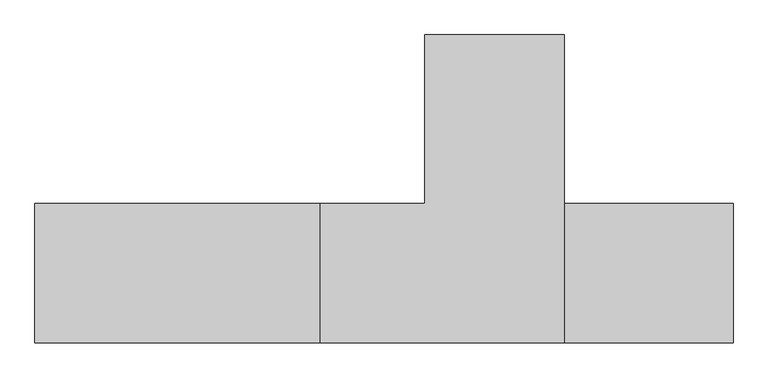
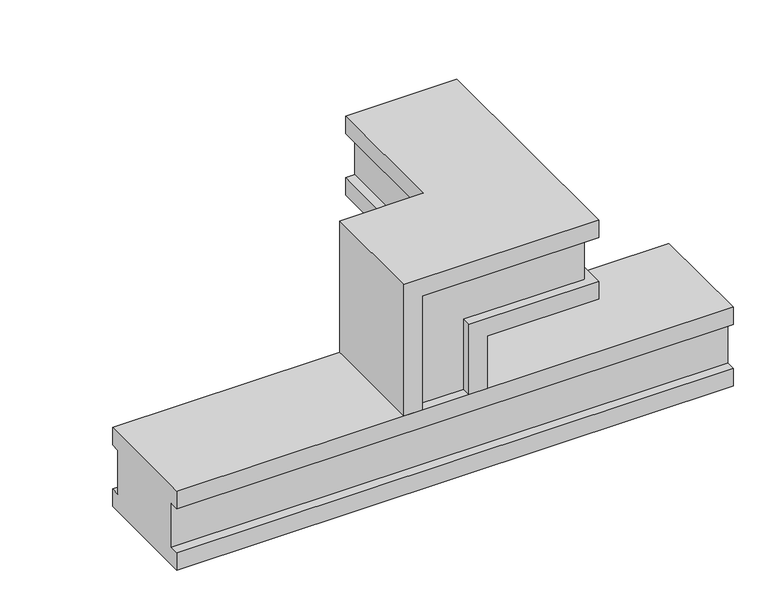
"""IFC4 building model written with IfcOpenShell, lengths in millimetres: proxy geometry."""

import ifcopenshell
import ifcopenshell.guid

model = None  # the IFC model being written
_history = None  # IfcOwnerHistory: only IFC2X3 demands one
_inside = {}  # id of a spatial element -> (the spatial element, [elements in it])
_under = {}  # id of a project, library or spatial element -> (it, [spatial elements below it])
_declared = {}  # id of a project -> (the project, [libraries it declares])
_typed = {}  # id of a type object -> (the type object, [elements of that type])
_made_of = {}  # id of a material, layer set ... -> (it, [elements and type objects made of it])


def new_model(schema):
    """Start an empty IFC model of exactly this schema.

    Asked for "IFC4X3", IfcOpenShell would pick the latest addendum, in which some entities
    have other attributes; the version numbers below select the first issue.
    IFC2X3 requires an IfcOwnerHistory on every rooted entity: one is made here for all.
    """
    global model, _history
    if schema == "IFC4X3":
        model = ifcopenshell.file(schema_version=(4, 3, 0, 0))
    else:
        model = ifcopenshell.file(schema=schema)
    _inside.clear()
    _under.clear()
    _declared.clear()
    _typed.clear()
    _made_of.clear()
    _history = None
    if model.schema == "IFC2X3":
        org = make("IfcOrganization", Name="unknown")
        user = make(
            "IfcPersonAndOrganization",
            ThePerson=make("IfcPerson", FamilyName="unknown"),
            TheOrganization=org,
        )
        app = make(
            "IfcApplication",
            ApplicationDeveloper=org,
            Version="unknown",
            ApplicationFullName="unknown",
            ApplicationIdentifier="unknown",
        )
        _history = make(
            "IfcOwnerHistory",
            OwningUser=user,
            OwningApplication=app,
            ChangeAction="ADDED",
            CreationDate=0,
        )
    return model


def make(cls, **values):
    """One entity of the class cls with the attributes given. An attribute that is None is left unset."""
    return model.create_entity(
        cls, **{name: value for name, value in values.items() if value is not None}
    )


def rooted(cls, **values):
    """An entity with a GlobalId (a new one), such as an element, a storey or a relation."""
    return make(cls, GlobalId=ifcopenshell.guid.new(), OwnerHistory=_history, **values)


def si_unit(unit_type, name, prefix=None):
    """IfcSIUnit, for example si_unit("LENGTHUNIT", "METRE", prefix="MILLI")."""
    return make("IfcSIUnit", UnitType=unit_type, Prefix=prefix, Name=name)


def assignment(units):
    """IfcUnitAssignment: the units of a project."""
    return None if units is None else make("IfcUnitAssignment", Units=units)


def point(xyz):
    """IfcCartesianPoint."""
    return None if xyz is None else make("IfcCartesianPoint", Coordinates=xyz)


def direction(xyz):
    """IfcDirection."""
    return None if xyz is None else make("IfcDirection", DirectionRatios=xyz)


def frame(location, z_axis=None, x_axis=None):
    """IfcAxis2Placement3D, a coordinate frame: its origin and axes. An axis left out is left unset."""
    return make(
        "IfcAxis2Placement3D",
        Location=point(location),
        Axis=direction(z_axis),
        RefDirection=direction(x_axis),
    )


def origin():
    """The frame at (0, 0, 0) with its axes left unset."""
    return frame((0.0, 0.0, 0.0))


def place(relative_to, where):
    """IfcLocalPlacement: puts the frame where relative to a parent placement (None: the world)."""
    return make(
        "IfcLocalPlacement", PlacementRelTo=relative_to, RelativePlacement=where
    )


def context(
    kind, dimensions, precision=None, world=None, true_north=None, identifier=None
):
    """IfcGeometricRepresentationContext, for example the 3D "Model" context."""
    return make(
        "IfcGeometricRepresentationContext",
        ContextIdentifier=identifier,
        ContextType=kind,
        CoordinateSpaceDimension=dimensions,
        Precision=precision,
        WorldCoordinateSystem=world,
        TrueNorth=true_north,
    )


def project(units=None, contexts=None):
    """IfcProject with its units and contexts."""
    return rooted(
        "IfcProject",
        Name="project",
        RepresentationContexts=contexts,
        UnitsInContext=assignment(units),
    )


def spatial(cls, under=None, at=None, **own):
    """A site, building, storey or space (cls), placed at a placement, below another one or the project."""
    s = rooted(cls, ObjectPlacement=at, **own)
    if under is not None:
        _under.setdefault(under.id(), (under, []))[1].append(s)
    return s


def polyline(points):
    """IfcPolyline through the points."""
    return make("IfcPolyline", Points=[point(p) for p in points])


def outline(outer, holes=None, kind="AREA"):
    """IfcArbitraryClosedProfileDef: a profile drawn as a closed curve; with holes, ...WithVoids."""
    if holes is None:
        return make("IfcArbitraryClosedProfileDef", ProfileType=kind, OuterCurve=outer)
    return make(
        "IfcArbitraryProfileDefWithVoids",
        ProfileType=kind,
        OuterCurve=outer,
        InnerCurves=holes,
    )


def extrude(swept, where, along, depth):
    """IfcExtrudedAreaSolid: the profile swept, set in the frame where, extruded along a direction by depth."""
    return make(
        "IfcExtrudedAreaSolid",
        SweptArea=swept,
        Position=where,
        ExtrudedDirection=direction(along),
        Depth=depth,
    )


def faces_of(points, faces, orient=None, outer=None):
    """IfcFace entities. A face is a list of loops; a loop is a list of indices into points, from 0.

    orient and outer hold one flag for each loop. By default every Orientation is true, the
    first loop of a face is its IfcFaceOuterBound and the others are IfcFaceBound.
    """
    made = []
    for i, loops in enumerate(faces):
        bounds = []
        for j, loop in enumerate(loops):
            is_outer = j == 0 if outer is None else outer[i][j]
            bounds.append(
                make(
                    "IfcFaceOuterBound" if is_outer else "IfcFaceBound",
                    Bound=make("IfcPolyLoop", Polygon=[points[k] for k in loop]),
                    Orientation=True if orient is None else orient[i][j],
                )
            )
        made.append(make("IfcFace", Bounds=bounds))
    return made


def faceted_brep(points, faces, orient=None, outer=None, voids=None):
    """IfcFacetedBrep: a solid bounded by flat faces; with voids (closed shells), ...WithVoids."""
    shared = [point(p) for p in points]
    hull = make("IfcClosedShell", CfsFaces=faces_of(shared, faces, orient, outer))
    if voids is None:
        return make("IfcFacetedBrep", Outer=hull)
    return make(
        "IfcFacetedBrepWithVoids",
        Outer=hull,
        Voids=[
            make(cls, CfsFaces=faces_of(shared, fs, o, b)) for cls, fs, o, b in voids
        ],
    )


def shape(context_of_items, identifier, shape_type, items):
    """IfcShapeRepresentation: the items that make up one representation, for example the "Body"."""
    return make(
        "IfcShapeRepresentation",
        ContextOfItems=context_of_items,
        RepresentationIdentifier=identifier,
        RepresentationType=shape_type,
        Items=items,
    )


def source(mapping_origin, context_of_items, identifier, shape_type, items):
    """IfcRepresentationMap: a shape defined once, which mapped items show again and again."""
    return make(
        "IfcRepresentationMap",
        MappingOrigin=mapping_origin,
        MappedRepresentation=shape(context_of_items, identifier, shape_type, items),
    )


def transform(
    local_origin,
    x_axis=None,
    y_axis=None,
    z_axis=None,
    scale=None,
    scale2=None,
    scale3=None,
    uniform=True,
):
    """IfcCartesianTransformationOperator3D, or its non-uniform kind. x_axis, y_axis, z_axis: its Axis1, 2, 3."""
    if uniform:
        return make(
            "IfcCartesianTransformationOperator3D",
            Axis1=direction(x_axis),
            Axis2=direction(y_axis),
            LocalOrigin=point(local_origin),
            Scale=scale,
            Axis3=direction(z_axis),
        )
    return make(
        "IfcCartesianTransformationOperator3DnonUniform",
        Axis1=direction(x_axis),
        Axis2=direction(y_axis),
        LocalOrigin=point(local_origin),
        Scale=scale,
        Axis3=direction(z_axis),
        Scale2=scale2,
        Scale3=scale3,
    )


def mapped(mapping_source, mapping_target):
    """IfcMappedItem: shows the shape of a source again, moved by a transform."""
    return make(
        "IfcMappedItem", MappingSource=mapping_source, MappingTarget=mapping_target
    )


def made_of(thing, what):
    """Note that an element or type object is made of a material, layer set ...; save() writes the relation."""
    if what is not None:
        _made_of.setdefault(what.id(), (what, []))[1].append(thing)
    return thing


def element(
    cls,
    number,
    at=None,
    inside=None,
    cuts=None,
    type_object=None,
    material=None,
    context=None,
    identifier="Body",
    shape_type=None,
    held_by="IfcProductDefinitionShape",
    body=None,
    shapes=None,
    **own,
):
    """One element of the class cls, such as IfcWall. Its Tag is "e" and its number.

    at: its placement. inside: the storey or other place that contains it. cuts: it is an
    opening in that element (IfcRelVoidsElement). A single representation is given by context,
    identifier, shape_type and body (its items); several are given by shapes. held_by: the class
    of the entity that holds the representations. save() writes the other relations.
    """
    e = rooted(cls, Tag="e%d" % number, ObjectPlacement=at, **own)
    if body is not None:
        shapes = [shape(context, identifier, shape_type, body)]
    if shapes is not None:
        e.Representation = make(held_by, Representations=shapes)
    if inside is not None:
        _inside.setdefault(inside.id(), (inside, []))[1].append(e)
    if cuts is not None:
        rooted(
            "IfcRelVoidsElement", RelatingBuildingElement=cuts, RelatedOpeningElement=e
        )
    if type_object is not None:
        _typed.setdefault(type_object.id(), (type_object, []))[1].append(e)
    return made_of(e, material)


def aggregate(whole, parts):
    """IfcRelAggregates: a whole, such as a stair, and the parts it consists of."""
    return rooted("IfcRelAggregates", RelatingObject=whole, RelatedObjects=parts)


def save(model, path):
    """Write the relations noted so far, then the file.

    IfcRelAggregates (storeys below a building ...), IfcRelContainedInSpatialStructure (elements
    in a storey), IfcRelDefinesByType, IfcRelAssociatesMaterial and IfcRelDeclares: one each for
    every whole, place, type object, material and project.
    """
    for whole, parts in _under.values():
        aggregate(whole, parts)
    for where, things in _inside.values():
        rooted(
            "IfcRelContainedInSpatialStructure",
            RelatedElements=things,
            RelatingStructure=where,
        )
    for kind, things in _typed.values():
        rooted("IfcRelDefinesByType", RelatedObjects=things, RelatingType=kind)
    for what, things in _made_of.values():
        rooted("IfcRelAssociatesMaterial", RelatedObjects=things, RelatingMaterial=what)
    for by, libraries in _declared.values():
        rooted("IfcRelDeclares", RelatingContext=by, RelatedDefinitions=libraries)
    model.write(path)


def electrical_fixtures_82b0c15a(model_context):
    return source(origin(), model_context, "Body", "SolidModel", [
        faceted_brep([(490.0, 240.0, 180.0), (530.0, 240.0, 180.0), (530.0, 220.0, 180.0), (630.0, 220.0, 180.0), (630.0, 240.0, 180.0), (670.0, 240.0, 180.0), (670.0, 0.0, 180.0), (630.0, 0.0, 180.0), (630.0, 20.0, 180.0), (530.0, 20.0, 180.0), (530.0, 0.0, 180.0), (490.0, 0.0, 180.0), (490.0, 240.0, 480.0), (670.0, 240.0, 480.0), (670.0, 240.0, 440.0), (530.0, 240.0, 440.0), (530.0, 220.0, 440.0), (690.0, 220.0, 440.0), (690.0, 220.0, 340.0), (630.0, 220.0, 340.0), (630.0, 240.0, 340.0), (670.0, 240.0, 340.0), (670.0, 240.0, 300.0), (670.0, 0.0, 300.0), (910.0, 0.0, 300.0), (910.0, 0.0, 340.0), (630.0, 0.0, 340.0), (630.0, 20.0, 340.0), (890.0, 20.0, 340.0), (890.0, 20.0, 440.0), (530.0, 20.0, 440.0), (530.0, 0.0, 440.0), (910.0, 0.0, 440.0), (910.0, 0.0, 480.0), (490.0, 0.0, 480.0), (670.0, 530.0, 440.0), (690.0, 530.0, 440.0), (690.0, 530.0, 340.0), (670.0, 530.0, 340.0), (910.0, 530.0, 340.0), (890.0, 530.0, 340.0), (890.0, 530.0, 440.0), (910.0, 530.0, 440.0), (910.0, 530.0, 480.0), (670.0, 530.0, 480.0), (670.0, 530.0, 300.0), (910.0, 530.0, 300.0)], [[[0, 1, 2, 3, 4, 5, 6, 7, 8, 9, 10, 11]], [[1, 0, 12, 13, 14, 15]], [[2, 1, 15, 16]], [[3, 2, 16, 17, 18, 19]], [[4, 3, 19, 20]], [[5, 4, 20, 21, 22]], [[6, 5, 22, 23]], [[7, 6, 23, 24, 25, 26]], [[8, 7, 26, 27]], [[9, 8, 27, 28, 29, 30]], [[10, 9, 30, 31]], [[11, 10, 31, 32, 33, 34]], [[0, 11, 34, 12]], [[15, 14, 35, 36, 17, 16]], [[19, 18, 37, 38, 21, 20]], [[26, 25, 39, 40, 28, 27]], [[30, 29, 41, 42, 32, 31]], [[13, 12, 34, 33, 43, 44]], [[44, 35, 14, 13]], [[38, 45, 22, 21]], [[45, 46, 24, 23, 22]], [[35, 44, 43, 42, 41, 40, 39, 46, 45, 38, 37, 36]], [[17, 36, 37, 18]], [[28, 40, 41, 29]], [[24, 46, 39, 25]], [[43, 33, 32, 42]]]),
        extrude(outline(polyline([(240.0, 180.0), (240.0, 140.0), (220.0, 140.0), (220.0, 40.0), (240.0, 40.0), (240.0, 0.0), (0.0, 0.0), (0.0, 40.0), (20.0, 40.0), (20.0, 140.0), (0.0, 140.0), (0.0, 180.0), (240.0, 180.0)])), frame((0.0, 0.0, 0.0), z_axis=(1.0, 0.0, 0.0), x_axis=(0.0, 1.0, 0.0)), (0.0, 0.0, 1.0), 1200.0),
    ])


if __name__ == "__main__":
    model = new_model("IFC4")
    model_context = context("Model", 3, world=origin())
    ifc_project = project(units=[si_unit("LENGTHUNIT", "METRE", prefix="MILLI")], contexts=[model_context])
    site = spatial("IfcSite", under=ifc_project)
    building = spatial("IfcBuilding", under=site)
    placement = place(None, origin())
    electrical_fixtures_shape = electrical_fixtures_82b0c15a(model_context)
    element("IfcBuildingElementProxy", 1, Name="Electrical Fixtures", at=placement, inside=building, context=model_context, shape_type="MappedRepresentation", body=[
        mapped(electrical_fixtures_shape, transform((0.0, 0.0, 0.0), x_axis=(1.0, 0.0, 0.0), y_axis=(0.0, 1.0, 0.0), z_axis=(0.0, 0.0, 1.0))),
    ])
    save(model, "model.ifc")
